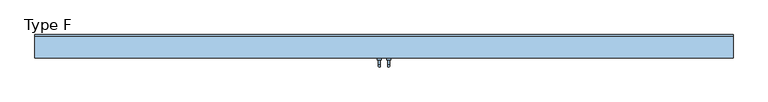
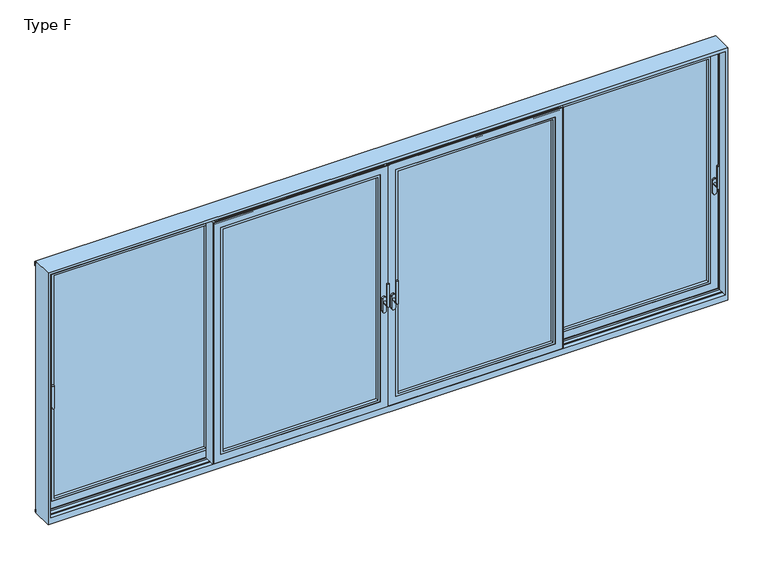
"""IFC4 building model written with IfcOpenShell, lengths in millimetres: window geometry, Type F."""

from ifc_helpers import new_model, si_unit, point, frame, frame_2d, origin, place, context, project, spatial, polyline, circle_curve, ellipse_curve, trimmed, segment, composite_curve, outline, extrude, faceted_brep, source, transform, mapped, element, save
from ifc_brep_helpers import plane_surface, cylinder_surface, advanced_brep


def type_f_958ff80e(model_context):
    return source(origin(), model_context, "Body", "SolidModel", [
        advanced_brep(
        [(30.0, -111.0, 995.0), (50.0, -111.0, 995.0), (30.0, -163.0, 995.0), (50.0, -163.0, 995.0), (30.0, -163.0, 1195.0), (50.0, -163.0, 1195.0)],
        [
            (0, 1, circle_curve(frame((40.0, -111.0, 995.0), z_axis=(0.0, 1.0, 0.0), x_axis=(1.0000000000000009, 0.0, 0.0)), 10.0)),
            (1, 0, circle_curve(frame((40.0, -111.0, 995.0), z_axis=(0.0, 1.0, 0.0), x_axis=(1.0000000000000009, 0.0, 0.0)), 10.0)),
            (0, 2),
            (2, 3, ellipse_curve(frame((40.0, -163.0, 995.0), z_axis=(0.0, 0.7071067811865475, -0.7071067811865475), x_axis=(0.0, 0.7071067811865476, 0.7071067811865474)), 14.1421356, 10.0)),
            (3, 1),
            (3, 2, ellipse_curve(frame((40.0, -163.0, 995.0), z_axis=(0.0, 0.7071067811865475, -0.7071067811865475), x_axis=(0.0, 0.7071067811865476, 0.7071067811865474)), 14.1421356, 10.0)),
            (4, 5, circle_curve(frame((40.0, -163.0, 1195.0), z_axis=(0.0, 0.0, 1.0), x_axis=(1.0000000000000009, 0.0, 0.0)), 10.0)),
            (5, 4, circle_curve(frame((40.0, -163.0, 1195.0), z_axis=(0.0, 0.0, 1.0), x_axis=(1.0000000000000009, 0.0, 0.0)), 10.0)),
            (2, 4),
            (5, 3),
        ],
        [
            plane_surface(frame((40.0, -111.0, 995.0), z_axis=(0.0, 1.0, 0.0), x_axis=(1.0, 0.0, 0.0))),
            cylinder_surface(frame((40.0, -111.0, 995.0), z_axis=(0.0, 1.0000000000000009, 0.0), x_axis=(1.0000000000000009, 0.0, 0.0)), 10.0),
            plane_surface(frame((40.0, -163.0, 1195.0), z_axis=(0.0, 0.0, 1.0), x_axis=(1.0, 0.0, 0.0))),
            cylinder_surface(frame((40.0, -163.0, 995.0), z_axis=(0.0, 0.0, -1.0), x_axis=(1.0000000000000009, 0.0, 0.0)), 10.0),
        ],
        [
            (0, [[1, 2]]),
            (1, [[-1, 3, 4, 5]]),
            (1, [[-2, -5, 6, -3]]),
            (2, [[7, 8]]),
            (3, [[-4, 9, -8, 10]]),
            (3, [[-6, -10, -7, -9]]),
        ],
    ),
        extrude(outline(composite_curve([segment(trimmed(circle_curve(frame_2d((913.2823932, 40.0)), 16.75), [point((913.2823932, 23.25))], [point((913.2823932, 56.75))], False, "CARTESIAN"), True, "CONTINUOUS"), segment(polyline([(913.2823932, 56.75), (1025.0099288, 56.75)]), True, "CONTINUOUS"), segment(trimmed(circle_curve(frame_2d((1025.0099288, 40.0)), 16.75), [point((1025.0099288, 56.75))], [point((1025.0099288, 23.25))], False, "CARTESIAN"), True, "CONTINUOUS"), segment(polyline([(1025.0099288, 23.25), (913.2823932, 23.25)]), True, "CONTINUOUS")], self_intersect=False)), frame((0.0, -111.0, 0.0), z_axis=(0.0, 1.0, 0.0), x_axis=(0.0, 0.0, 1.0)), (0.0, 0.0, 1.0), 16.0),
        extrude(outline(polyline([(1542.5, 4.0), (1542.5, -95.0), (1536.5, -95.0), (1536.5, -92.0), (1519.5, -92.0), (1519.5, -18.0), (1534.5, -18.0), (1534.5, -15.0), (1486.5, -15.0), (1486.5, -9.0), (1501.0, -9.0), (1501.0, 1.0013087), (1495.0, 1.0013087), (1495.0, 4.0), (1542.5, 4.0)])), frame((0.0, 0.0, 3.5), z_axis=(0.0, 0.0, 1.0), x_axis=(1.0, 0.0, 0.0)), (0.0, 0.0, 1.0), 2241.5),
        faceted_brep([(1519.5, -92.0, 2230.0), (1519.5, -18.0, 2230.0), (18.5, -18.0, 2230.0), (18.5, -92.0, 2230.0), (3.5, -18.0, 2245.0), (3.5, -15.0, 2245.0), (3.5, -15.0, 3.5), (3.5, -18.0, 3.5), (1534.5, -15.0, 3.5), (1534.5, -18.0, 3.5), (1534.5, -15.0, 2245.0), (1449.5, -15.0, 88.5), (1449.5, -15.0, 2160.0), (88.5, -15.0, 2160.0), (88.5, -15.0, 88.5), (1534.5, -18.0, 2245.0), (18.5, -18.0, 18.5), (1519.5, -18.0, 18.5), (3.5, -95.0, 2245.0), (3.5, -92.0, 2245.0), (3.5, -92.0, 3.5), (3.5, -95.0, 3.5), (1534.5, -92.0, 3.5), (1534.5, -95.0, 3.5), (1534.5, -92.0, 2245.0), (1519.5, -92.0, 18.5), (18.5, -92.0, 18.5), (1534.5, -95.0, 2245.0), (68.5, -95.0, 68.5), (68.5, -95.0, 2180.0), (1469.5, -95.0, 2180.0), (1469.5, -95.0, 68.5), (68.5, -23.0, 2180.0), (68.5, -23.0, 68.5), (1469.5, -23.0, 68.5), (1469.5, -23.0, 2180.0), (88.5, -23.0, 88.5), (88.5, -23.0, 2160.0), (1449.5, -23.0, 2160.0), (1449.5, -23.0, 88.5)], [[[0, 1, 2, 3]], [[4, 5, 6, 7]], [[7, 6, 8, 9]], [[6, 5, 10, 8], [11, 12, 13, 14]], [[9, 8, 10, 15]], [[9, 15, 4, 7], [16, 2, 1, 17]], [[18, 19, 20, 21]], [[21, 20, 22, 23]], [[20, 19, 24, 22], [25, 0, 3, 26]], [[23, 22, 24, 27]], [[23, 27, 18, 21], [28, 29, 30, 31]], [[32, 29, 28, 33]], [[33, 28, 31, 34]], [[34, 31, 30, 35]], [[34, 35, 32, 33], [36, 37, 38, 39]], [[13, 37, 36, 14]], [[14, 36, 39, 11]], [[11, 39, 38, 12]], [[3, 2, 16, 26]], [[25, 17, 1, 0]], [[26, 16, 17, 25]], [[15, 10, 5, 4]], [[27, 24, 19, 18]], [[35, 30, 29, 32]], [[12, 38, 37, 13]]]),
        extrude(outline(polyline([(2180.0, 68.5), (68.5, 68.5), (68.5, 1469.5), (2180.0, 1469.5), (2180.0, 68.5)]), holes=[polyline([(2160.0, 1449.5), (88.5, 1449.5), (88.5, 88.5), (2160.0, 88.5), (2160.0, 1449.5)])]), frame((0.0, -94.5, 0.0), z_axis=(0.0, 1.0, 0.0), x_axis=(0.0, 0.0, 1.0)), (0.0, 0.0, 1.0), 25.5),
        extrude(outline(polyline([(68.5, -23.0), (1469.5, -23.0), (1469.5, -69.0), (68.5, -69.0), (68.5, -23.0)])), frame((0.0, 0.0, 68.5), z_axis=(0.0, 0.0, 1.0), x_axis=(1.0, 0.0, 0.0)), (0.0, 0.0, 1.0), 2111.5),
        extrude(outline(polyline([(1519.5, -46.0), (1519.5, -64.0), (18.5, -64.0), (18.5, -46.0), (1519.5, -46.0)])), frame((0.0, 0.0, 2230.0), z_axis=(0.0, 0.0, 1.0), x_axis=(1.0, 0.0, 0.0)), (0.0, 0.0, 1.0), 20.0),
        advanced_brep(
        [(2935.0, -6.0, 995.0), (2915.0, -6.0, 995.0), (2915.0, -58.0, 995.0), (2935.0, -58.0, 995.0), (2935.0, -58.0, 1195.0), (2915.0, -58.0, 1195.0)],
        [
            (0, 1, circle_curve(frame((2925.0, -6.0, 995.0), z_axis=(0.0, 1.0, 0.0), x_axis=(-1.0000000000000009, 0.0, 0.0)), 10.0)),
            (1, 0, circle_curve(frame((2925.0, -6.0, 995.0), z_axis=(0.0, 1.0, 0.0), x_axis=(-1.0000000000000009, 0.0, 0.0)), 10.0)),
            (1, 2),
            (2, 3, ellipse_curve(frame((2925.0, -58.0, 995.0), z_axis=(0.0, 0.7071067811865475, -0.7071067811865475), x_axis=(0.0, 0.7071067811865476, 0.7071067811865474)), 14.1421356, 10.0)),
            (3, 0),
            (3, 2, ellipse_curve(frame((2925.0, -58.0, 995.0), z_axis=(0.0, 0.7071067811865475, -0.7071067811865475), x_axis=(0.0, 0.7071067811865476, 0.7071067811865474)), 14.1421356, 10.0)),
            (4, 5, circle_curve(frame((2925.0, -58.0, 1195.0), z_axis=(0.0, 0.0, 1.0), x_axis=(-1.0000000000000009, 0.0, 0.0)), 10.0)),
            (5, 4, circle_curve(frame((2925.0, -58.0, 1195.0), z_axis=(0.0, 0.0, 1.0), x_axis=(-1.0000000000000009, 0.0, 0.0)), 10.0)),
            (2, 5),
            (4, 3),
        ],
        [
            plane_surface(frame((2925.0, -6.0, 995.0), z_axis=(0.0, 1.0, 0.0), x_axis=(-1.0, 0.0, 0.0))),
            cylinder_surface(frame((2925.0, -6.0, 995.0), z_axis=(0.0, 1.0000000000000009, 0.0), x_axis=(-1.0000000000000009, 0.0, 0.0)), 10.0),
            plane_surface(frame((2925.0, -58.0, 1195.0), z_axis=(0.0, 0.0, 1.0), x_axis=(-1.0, 0.0, 0.0))),
            cylinder_surface(frame((2925.0, -58.0, 995.0), z_axis=(0.0, 0.0, -1.0), x_axis=(-1.0000000000000009, 0.0, 0.0)), 10.0),
        ],
        [
            (0, [[1, 2]]),
            (1, [[3, 4, 5, -2]]),
            (1, [[-5, 6, -3, -1]]),
            (2, [[7, 8]]),
            (3, [[9, -7, 10, -4]]),
            (3, [[-10, -8, -9, -6]]),
        ],
    ),
        extrude(outline(composite_curve([segment(polyline([(913.2823932, 2941.75), (1025.0099288, 2941.75)]), True, "CONTINUOUS"), segment(trimmed(circle_curve(frame_2d((1025.0099288, 2925.0)), 16.75), [point((1025.0099288, 2941.75))], [point((1025.0099288, 2908.25))], False, "CARTESIAN"), True, "CONTINUOUS"), segment(polyline([(1025.0099288, 2908.25), (913.2823932, 2908.25)]), True, "CONTINUOUS"), segment(trimmed(circle_curve(frame_2d((913.2823932, 2925.0)), 16.75), [point((913.2823932, 2908.25))], [point((913.2823932, 2941.75))], False, "CARTESIAN"), True, "CONTINUOUS")], self_intersect=False)), frame((0.0, -6.0, 0.0), z_axis=(0.0, 1.0, 0.0), x_axis=(0.0, 0.0, 1.0)), (0.0, 0.0, 1.0), 16.0),
        extrude(outline(polyline([(2946.5, 87.0), (2965.0, 87.0), (2965.0, 80.0), (2946.5, 80.0), (2946.5, 87.0)])), frame((0.0, 0.0, 18.5), z_axis=(0.0, 0.0, 1.0), x_axis=(1.0, 0.0, 0.0)), (0.0, 0.0, 1.0), 2211.5),
        extrude(outline(polyline([(2946.5, 20.0), (2965.0, 20.0), (2965.0, 13.0), (2946.5, 13.0), (2946.5, 20.0)])), frame((0.0, 0.0, 18.5), z_axis=(0.0, 0.0, 1.0), x_axis=(1.0, 0.0, 0.0)), (0.0, 0.0, 1.0), 2211.5),
        extrude(outline(polyline([(1495.0, -9.0), (1447.5, -9.0), (1447.5, 90.0), (1453.5, 90.0), (1453.5, 87.0), (1470.5, 87.0), (1470.5, 13.0), (1455.5, 13.0), (1455.5, 10.0), (1503.5, 10.0), (1503.5, 4.0), (1489.0, 4.0), (1489.0, -6.0013087), (1495.0, -6.0013087), (1495.0, -9.0)])), frame((0.0, 0.0, 3.5), z_axis=(0.0, 0.0, 1.0), x_axis=(1.0, 0.0, 0.0)), (0.0, 0.0, 1.0), 2241.5),
        faceted_brep([(2961.5, 87.0, 2245.0), (2961.5, 87.0, 3.5), (2961.5, 90.0, 3.5), (2961.5, 90.0, 2245.0), (1455.5, 87.0, 3.5), (1455.5, 90.0, 3.5), (1455.5, 90.0, 2245.0), (1540.5, 90.0, 88.5), (2876.5, 90.0, 88.5), (2876.5, 90.0, 2160.0), (1540.5, 90.0, 2160.0), (1455.5, 87.0, 2245.0), (2946.5, 87.0, 18.5), (1470.5, 87.0, 18.5), (1470.5, 87.0, 2230.0), (2946.5, 87.0, 2230.0), (2961.5, 13.0, 3.5), (1455.5, 13.0, 3.5), (1455.5, 13.0, 2245.0), (2961.5, 13.0, 2245.0), (1470.5, 13.0, 18.5), (2946.5, 13.0, 18.5), (2946.5, 13.0, 2230.0), (1470.5, 13.0, 2230.0), (2961.5, 10.0, 2245.0), (2961.5, 10.0, 3.5), (1455.5, 10.0, 3.5), (1455.5, 10.0, 2245.0), (2896.5, 10.0, 68.5), (1520.5, 10.0, 68.5), (1520.5, 10.0, 2180.0), (2896.5, 10.0, 2180.0), (2896.5, 82.0, 2180.0), (2896.5, 82.0, 68.5), (1520.5, 82.0, 68.5), (1520.5, 82.0, 2180.0), (2876.5, 82.0, 88.5), (1540.5, 82.0, 88.5), (1540.5, 82.0, 2160.0), (2876.5, 82.0, 2160.0)], [[[0, 1, 2, 3]], [[1, 4, 5, 2]], [[2, 5, 6, 3], [7, 8, 9, 10]], [[4, 11, 6, 5]], [[4, 1, 0, 11], [12, 13, 14, 15]], [[16, 17, 18, 19], [20, 21, 22, 23]], [[24, 25, 16, 19]], [[25, 26, 17, 16]], [[26, 27, 18, 17]], [[26, 25, 24, 27], [28, 29, 30, 31]], [[32, 33, 28, 31]], [[33, 34, 29, 28]], [[34, 35, 30, 29]], [[34, 33, 32, 35], [36, 37, 38, 39]], [[9, 8, 36, 39]], [[8, 7, 37, 36]], [[7, 10, 38, 37]], [[11, 0, 3, 6]], [[27, 24, 19, 18]], [[35, 32, 31, 30]], [[10, 9, 39, 38]], [[22, 21, 12, 15]], [[20, 23, 14, 13]], [[21, 20, 13, 12]], [[23, 22, 15, 14]]]),
        extrude(outline(polyline([(2180.0, 2896.5), (2180.0, 1520.5), (68.5, 1520.5), (68.5, 2896.5), (2180.0, 2896.5)]), holes=[polyline([(2160.0, 1540.5), (2160.0, 2876.5), (88.5, 2876.5), (88.5, 1540.5), (2160.0, 1540.5)])]), frame((0.0, 10.5, 0.0), z_axis=(0.0, 1.0, 0.0), x_axis=(0.0, 0.0, 1.0)), (0.0, 0.0, 1.0), 25.5),
        extrude(outline(polyline([(2896.5, 82.0), (2896.5, 36.0), (1520.5, 36.0), (1520.5, 82.0), (2896.5, 82.0)])), frame((0.0, 0.0, 68.5), z_axis=(0.0, 0.0, 1.0), x_axis=(1.0, 0.0, 0.0)), (0.0, 0.0, 1.0), 2111.5),
        extrude(outline(polyline([(1470.5, 59.0), (2946.5, 59.0), (2946.5, 41.0), (1470.5, 41.0), (1470.5, 59.0)])), frame((0.0, 0.0, 2230.0), z_axis=(0.0, 0.0, 1.0), x_axis=(1.0, 0.0, 0.0)), (0.0, 0.0, 1.0), 20.0),
        advanced_brep(
        [(-30.0, -111.0, 995.0), (-50.0, -111.0, 995.0), (-50.0, -163.0, 995.0), (-30.0, -163.0, 995.0), (-30.0, -163.0, 1195.0), (-50.0, -163.0, 1195.0)],
        [
            (0, 1, circle_curve(frame((-40.0, -111.0, 995.0), z_axis=(0.0, 1.0, 0.0), x_axis=(-1.0000000000000009, 0.0, 0.0)), 10.0)),
            (1, 0, circle_curve(frame((-40.0, -111.0, 995.0), z_axis=(0.0, 1.0, 0.0), x_axis=(-1.0000000000000009, 0.0, 0.0)), 10.0)),
            (1, 2),
            (2, 3, ellipse_curve(frame((-40.0, -163.0, 995.0), z_axis=(0.0, 0.7071067811865475, -0.7071067811865475), x_axis=(0.0, 0.7071067811865476, 0.7071067811865474)), 14.1421356, 10.0)),
            (3, 0),
            (3, 2, ellipse_curve(frame((-40.0, -163.0, 995.0), z_axis=(0.0, 0.7071067811865475, -0.7071067811865475), x_axis=(0.0, 0.7071067811865476, 0.7071067811865474)), 14.1421356, 10.0)),
            (4, 5, circle_curve(frame((-40.0, -163.0, 1195.0), z_axis=(0.0, 0.0, 1.0), x_axis=(-1.0000000000000009, 0.0, 0.0)), 10.0)),
            (5, 4, circle_curve(frame((-40.0, -163.0, 1195.0), z_axis=(0.0, 0.0, 1.0), x_axis=(-1.0000000000000009, 0.0, 0.0)), 10.0)),
            (2, 5),
            (4, 3),
        ],
        [
            plane_surface(frame((-40.0, -111.0, 995.0), z_axis=(0.0, 1.0, 0.0), x_axis=(-1.0, 0.0, 0.0))),
            cylinder_surface(frame((-40.0, -111.0, 995.0), z_axis=(0.0, 1.0000000000000009, 0.0), x_axis=(-1.0000000000000009, 0.0, 0.0)), 10.0),
            plane_surface(frame((-40.0, -163.0, 1195.0), z_axis=(0.0, 0.0, 1.0), x_axis=(-1.0, 0.0, 0.0))),
            cylinder_surface(frame((-40.0, -163.0, 995.0), z_axis=(0.0, 0.0, -1.0), x_axis=(-1.0000000000000009, 0.0, 0.0)), 10.0),
        ],
        [
            (0, [[1, 2]]),
            (1, [[3, 4, 5, -2]]),
            (1, [[-5, 6, -3, -1]]),
            (2, [[7, 8]]),
            (3, [[9, -7, 10, -4]]),
            (3, [[-10, -8, -9, -6]]),
        ],
    ),
        extrude(outline(composite_curve([segment(polyline([(913.2823932, -23.25), (1025.0099288, -23.25)]), True, "CONTINUOUS"), segment(trimmed(circle_curve(frame_2d((1025.0099288, -40.0)), 16.75), [point((1025.0099288, -23.25))], [point((1025.0099288, -56.75))], False, "CARTESIAN"), True, "CONTINUOUS"), segment(polyline([(1025.0099288, -56.75), (913.2823932, -56.75)]), True, "CONTINUOUS"), segment(trimmed(circle_curve(frame_2d((913.2823932, -40.0)), 16.75), [point((913.2823932, -56.75))], [point((913.2823932, -23.25))], False, "CARTESIAN"), True, "CONTINUOUS")], self_intersect=False)), frame((0.0, -111.0, 0.0), z_axis=(0.0, 1.0, 0.0), x_axis=(0.0, 0.0, 1.0)), (0.0, 0.0, 1.0), 16.0),
        extrude(outline(polyline([(3.0, -49.0), (18.5, -49.0), (18.5, -61.0), (3.0, -61.0), (3.0, -72.0), (-18.5, -72.0), (-18.5, -38.0), (3.0, -38.0), (3.0, -49.0)])), frame((0.0, 0.0, 18.5), z_axis=(0.0, 0.0, 1.0), x_axis=(1.0, 0.0, 0.0)), (0.0, 0.0, 1.0), 2211.5),
        extrude(outline(polyline([(-1542.5, 4.0), (-1495.0, 4.0), (-1495.0, 1.0013087), (-1501.0, 1.0013087), (-1501.0, -9.0), (-1486.5, -9.0), (-1486.5, -15.0), (-1534.5, -15.0), (-1534.5, -18.0), (-1519.5, -18.0), (-1519.5, -92.0), (-1536.5, -92.0), (-1536.5, -95.0), (-1542.5, -95.0), (-1542.5, 4.0)])), frame((0.0, 0.0, 3.5), z_axis=(0.0, 0.0, 1.0), x_axis=(1.0, 0.0, 0.0)), (0.0, 0.0, 1.0), 2241.5),
        faceted_brep([(-1519.5, -92.0, 2230.0), (-18.5, -92.0, 2230.0), (-18.5, -18.0, 2230.0), (-1519.5, -18.0, 2230.0), (-3.5, -18.0, 2245.0), (-3.5, -18.0, 3.5), (-3.5, -15.0, 3.5), (-3.5, -15.0, 2245.0), (-1534.5, -18.0, 3.5), (-1534.5, -15.0, 3.5), (-1534.5, -15.0, 2245.0), (-1449.5, -15.0, 88.5), (-88.5, -15.0, 88.5), (-88.5, -15.0, 2160.0), (-1449.5, -15.0, 2160.0), (-1534.5, -18.0, 2245.0), (-18.5, -18.0, 18.5), (-1519.5, -18.0, 18.5), (-3.5, -95.0, 2245.0), (-3.5, -95.0, 3.5), (-3.5, -92.0, 3.5), (-3.5, -92.0, 2245.0), (-1534.5, -95.0, 3.5), (-1534.5, -92.0, 3.5), (-1534.5, -92.0, 2245.0), (-1519.5, -92.0, 18.5), (-18.5, -92.0, 18.5), (-1534.5, -95.0, 2245.0), (-68.5, -95.0, 68.5), (-1469.5, -95.0, 68.5), (-1469.5, -95.0, 2180.0), (-68.5, -95.0, 2180.0), (-68.5, -23.0, 2180.0), (-68.5, -23.0, 68.5), (-1469.5, -23.0, 68.5), (-1469.5, -23.0, 2180.0), (-88.5, -23.0, 88.5), (-1449.5, -23.0, 88.5), (-1449.5, -23.0, 2160.0), (-88.5, -23.0, 2160.0)], [[[0, 1, 2, 3]], [[4, 5, 6, 7]], [[5, 8, 9, 6]], [[6, 9, 10, 7], [11, 12, 13, 14]], [[8, 15, 10, 9]], [[8, 5, 4, 15], [16, 17, 3, 2]], [[18, 19, 20, 21]], [[19, 22, 23, 20]], [[20, 23, 24, 21], [25, 26, 1, 0]], [[22, 27, 24, 23]], [[22, 19, 18, 27], [28, 29, 30, 31]], [[32, 33, 28, 31]], [[33, 34, 29, 28]], [[34, 35, 30, 29]], [[34, 33, 32, 35], [36, 37, 38, 39]], [[13, 12, 36, 39]], [[12, 11, 37, 36]], [[11, 14, 38, 37]], [[1, 26, 16, 2]], [[25, 0, 3, 17]], [[26, 25, 17, 16]], [[15, 4, 7, 10]], [[27, 18, 21, 24]], [[35, 32, 31, 30]], [[14, 13, 39, 38]]]),
        extrude(outline(polyline([(2180.0, -68.5), (2180.0, -1469.5), (68.5, -1469.5), (68.5, -68.5), (2180.0, -68.5)]), holes=[polyline([(2160.0, -1449.5), (2160.0, -88.5), (88.5, -88.5), (88.5, -1449.5), (2160.0, -1449.5)])]), frame((0.0, -94.5, 0.0), z_axis=(0.0, 1.0, 0.0), x_axis=(0.0, 0.0, 1.0)), (0.0, 0.0, 1.0), 25.5),
        extrude(outline(polyline([(-68.5, -23.0), (-68.5, -69.0), (-1469.5, -69.0), (-1469.5, -23.0), (-68.5, -23.0)])), frame((0.0, 0.0, 68.5), z_axis=(0.0, 0.0, 1.0), x_axis=(1.0, 0.0, 0.0)), (0.0, 0.0, 1.0), 2111.5),
        extrude(outline(polyline([(-1519.5, -46.0), (-18.5, -46.0), (-18.5, -64.0), (-1519.5, -64.0), (-1519.5, -46.0)])), frame((0.0, 0.0, 2230.0), z_axis=(0.0, 0.0, 1.0), x_axis=(1.0, 0.0, 0.0)), (0.0, 0.0, 1.0), 20.0),
        advanced_brep(
        [(-2935.0, -6.0, 995.0), (-2915.0, -6.0, 995.0), (-2935.0, -58.0, 995.0), (-2915.0, -58.0, 995.0), (-2935.0, -58.0, 1195.0), (-2915.0, -58.0, 1195.0)],
        [
            (0, 1, circle_curve(frame((-2925.0, -6.0, 995.0), z_axis=(0.0, 1.0, 0.0), x_axis=(1.0000000000000009, 0.0, 0.0)), 10.0)),
            (1, 0, circle_curve(frame((-2925.0, -6.0, 995.0), z_axis=(0.0, 1.0, 0.0), x_axis=(1.0000000000000009, 0.0, 0.0)), 10.0)),
            (0, 2),
            (2, 3, ellipse_curve(frame((-2925.0, -58.0, 995.0), z_axis=(0.0, 0.7071067811865475, -0.7071067811865475), x_axis=(0.0, 0.7071067811865476, 0.7071067811865474)), 14.1421356, 10.0)),
            (3, 1),
            (3, 2, ellipse_curve(frame((-2925.0, -58.0, 995.0), z_axis=(0.0, 0.7071067811865475, -0.7071067811865475), x_axis=(0.0, 0.7071067811865476, 0.7071067811865474)), 14.1421356, 10.0)),
            (4, 5, circle_curve(frame((-2925.0, -58.0, 1195.0), z_axis=(0.0, 0.0, 1.0), x_axis=(1.0000000000000009, 0.0, 0.0)), 10.0)),
            (5, 4, circle_curve(frame((-2925.0, -58.0, 1195.0), z_axis=(0.0, 0.0, 1.0), x_axis=(1.0000000000000009, 0.0, 0.0)), 10.0)),
            (2, 4),
            (5, 3),
        ],
        [
            plane_surface(frame((-2925.0, -6.0, 995.0), z_axis=(0.0, 1.0, 0.0), x_axis=(1.0, 0.0, 0.0))),
            cylinder_surface(frame((-2925.0, -6.0, 995.0), z_axis=(0.0, 1.0000000000000009, 0.0), x_axis=(1.0000000000000009, 0.0, 0.0)), 10.0),
            plane_surface(frame((-2925.0, -58.0, 1195.0), z_axis=(0.0, 0.0, 1.0), x_axis=(1.0, 0.0, 0.0))),
            cylinder_surface(frame((-2925.0, -58.0, 995.0), z_axis=(0.0, 0.0, -1.0), x_axis=(1.0000000000000009, 0.0, 0.0)), 10.0),
        ],
        [
            (0, [[1, 2]]),
            (1, [[-1, 3, 4, 5]]),
            (1, [[-2, -5, 6, -3]]),
            (2, [[7, 8]]),
            (3, [[-4, 9, -8, 10]]),
            (3, [[-6, -10, -7, -9]]),
        ],
    ),
        extrude(outline(composite_curve([segment(trimmed(circle_curve(frame_2d((913.2823932, -2925.0)), 16.75), [point((913.2823932, -2941.75))], [point((913.2823932, -2908.25))], False, "CARTESIAN"), True, "CONTINUOUS"), segment(polyline([(913.2823932, -2908.25), (1025.0099288, -2908.25)]), True, "CONTINUOUS"), segment(trimmed(circle_curve(frame_2d((1025.0099288, -2925.0)), 16.75), [point((1025.0099288, -2908.25))], [point((1025.0099288, -2941.75))], False, "CARTESIAN"), True, "CONTINUOUS"), segment(polyline([(1025.0099288, -2941.75), (913.2823932, -2941.75)]), True, "CONTINUOUS")], self_intersect=False)), frame((0.0, -6.0, 0.0), z_axis=(0.0, 1.0, 0.0), x_axis=(0.0, 0.0, 1.0)), (0.0, 0.0, 1.0), 16.0),
        extrude(outline(polyline([(-2946.5, 87.0), (-2946.5, 80.0), (-2965.0, 80.0), (-2965.0, 87.0), (-2946.5, 87.0)])), frame((0.0, 0.0, 18.5), z_axis=(0.0, 0.0, 1.0), x_axis=(1.0, 0.0, 0.0)), (0.0, 0.0, 1.0), 2211.5),
        extrude(outline(polyline([(-2946.5, 20.0), (-2946.5, 13.0), (-2965.0, 13.0), (-2965.0, 20.0), (-2946.5, 20.0)])), frame((0.0, 0.0, 18.5), z_axis=(0.0, 0.0, 1.0), x_axis=(1.0, 0.0, 0.0)), (0.0, 0.0, 1.0), 2211.5),
        extrude(outline(polyline([(-1495.0, -9.0), (-1495.0, -6.0013087), (-1489.0, -6.0013087), (-1489.0, 4.0), (-1503.5, 4.0), (-1503.5, 10.0), (-1455.5, 10.0), (-1455.5, 13.0), (-1470.5, 13.0), (-1470.5, 87.0), (-1453.5, 87.0), (-1453.5, 90.0), (-1447.5, 90.0), (-1447.5, -9.0), (-1495.0, -9.0)])), frame((0.0, 0.0, 3.5), z_axis=(0.0, 0.0, 1.0), x_axis=(1.0, 0.0, 0.0)), (0.0, 0.0, 1.0), 2241.5),
        faceted_brep([(-2961.5, 87.0, 2245.0), (-2961.5, 90.0, 2245.0), (-2961.5, 90.0, 3.5), (-2961.5, 87.0, 3.5), (-1455.5, 90.0, 3.5), (-1455.5, 87.0, 3.5), (-1455.5, 90.0, 2245.0), (-1540.5, 90.0, 88.5), (-1540.5, 90.0, 2160.0), (-2876.5, 90.0, 2160.0), (-2876.5, 90.0, 88.5), (-1455.5, 87.0, 2245.0), (-2946.5, 87.0, 18.5), (-2946.5, 87.0, 2230.0), (-1470.5, 87.0, 2230.0), (-1470.5, 87.0, 18.5), (-2961.5, 13.0, 3.5), (-2961.5, 13.0, 2245.0), (-1455.5, 13.0, 2245.0), (-1455.5, 13.0, 3.5), (-1470.5, 13.0, 18.5), (-1470.5, 13.0, 2230.0), (-2946.5, 13.0, 2230.0), (-2946.5, 13.0, 18.5), (-2961.5, 10.0, 2245.0), (-2961.5, 10.0, 3.5), (-1455.5, 10.0, 3.5), (-1455.5, 10.0, 2245.0), (-2896.5, 10.0, 68.5), (-2896.5, 10.0, 2180.0), (-1520.5, 10.0, 2180.0), (-1520.5, 10.0, 68.5), (-2896.5, 82.0, 2180.0), (-2896.5, 82.0, 68.5), (-1520.5, 82.0, 68.5), (-1520.5, 82.0, 2180.0), (-2876.5, 82.0, 88.5), (-2876.5, 82.0, 2160.0), (-1540.5, 82.0, 2160.0), (-1540.5, 82.0, 88.5)], [[[0, 1, 2, 3]], [[3, 2, 4, 5]], [[2, 1, 6, 4], [7, 8, 9, 10]], [[5, 4, 6, 11]], [[5, 11, 0, 3], [12, 13, 14, 15]], [[16, 17, 18, 19], [20, 21, 22, 23]], [[24, 17, 16, 25]], [[25, 16, 19, 26]], [[26, 19, 18, 27]], [[26, 27, 24, 25], [28, 29, 30, 31]], [[32, 29, 28, 33]], [[33, 28, 31, 34]], [[34, 31, 30, 35]], [[34, 35, 32, 33], [36, 37, 38, 39]], [[9, 37, 36, 10]], [[10, 36, 39, 7]], [[7, 39, 38, 8]], [[11, 6, 1, 0]], [[27, 18, 17, 24]], [[35, 30, 29, 32]], [[8, 38, 37, 9]], [[22, 13, 12, 23]], [[20, 15, 14, 21]], [[23, 12, 15, 20]], [[21, 14, 13, 22]]]),
        extrude(outline(polyline([(2180.0, -2896.5), (68.5, -2896.5), (68.5, -1520.5), (2180.0, -1520.5), (2180.0, -2896.5)]), holes=[polyline([(2160.0, -1540.5), (88.5, -1540.5), (88.5, -2876.5), (2160.0, -2876.5), (2160.0, -1540.5)])]), frame((0.0, 10.5, 0.0), z_axis=(0.0, 1.0, 0.0), x_axis=(0.0, 0.0, 1.0)), (0.0, 0.0, 1.0), 25.5),
        extrude(outline(polyline([(-2896.5, 82.0), (-1520.5, 82.0), (-1520.5, 36.0), (-2896.5, 36.0), (-2896.5, 82.0)])), frame((0.0, 0.0, 68.5), z_axis=(0.0, 0.0, 1.0), x_axis=(1.0, 0.0, 0.0)), (0.0, 0.0, 1.0), 2111.5),
        extrude(outline(polyline([(-1470.5, 59.0), (-1470.5, 41.0), (-2946.5, 41.0), (-2946.5, 59.0), (-1470.5, 59.0)])), frame((0.0, 0.0, 2230.0), z_axis=(0.0, 0.0, 1.0), x_axis=(1.0, 0.0, 0.0)), (0.0, 0.0, 1.0), 20.0),
        extrude(outline(polyline([(90.0, -24.1943734), (97.0, -24.5), (97.0, -49.0), (90.0, -49.0), (90.0, -24.1943734)])), frame((-2990.0, 0.0, 0.0), z_axis=(1.0, 0.0, 0.0), x_axis=(0.0, 1.0, 0.0)), (0.0, 0.0, 1.0), 5980.0),
        extrude(outline(polyline([(105.0003684, 2275.1806742), (105.0003684, 2239.2221261), (103.0003684, 2239.2221261), (103.0003684, 2265.2221261), (90.0003684, 2265.2221261), (90.0003684, 2283.8409282), (105.0003684, 2275.1806742)])), frame((-2990.0, 0.0, 0.0), z_axis=(1.0, 0.0, 0.0), x_axis=(0.0, 1.0, 0.0)), (0.0, 0.0, 1.0), 5980.0),
        faceted_brep([(2990.0, 90.0, -55.0), (2990.0, -95.0, -55.0), (-2990.0, -95.0, -55.0), (-2990.0, 90.0, -55.0), (2990.0, -95.0, 2290.0), (2990.0, 90.0, 2290.0), (-2990.0, -95.0, 2290.0), (2965.0, -95.0, 2265.0), (2965.0, -95.0, 0.0), (-2965.0, -95.0, 0.0), (-2965.0, -95.0, 2265.0), (-2990.0, 90.0, 2290.0), (-2965.0, 90.0, 2265.0), (-2965.0, 90.0, 0.0), (2965.0, 90.0, 0.0), (2965.0, 90.0, 2265.0), (2965.0, -15.0, 2265.0), (2965.0, -15.0, 0.0), (2965.0, -52.5, 0.0), (2965.0, -52.5, 5.0), (2965.0, -57.5, 5.0), (2965.0, -57.5, 0.0), (-2965.0, -57.5, 0.0), (-2965.0, -15.0, 2265.0), (-2965.0, -57.5, 5.0), (-2965.0, -52.5, 5.0), (-2965.0, -52.5, 0.0), (-2965.0, -15.0, 0.0), (-2967.0, -15.0, 0.0), (-2967.0, -15.0, 2267.0), (2967.0, -15.0, 2267.0), (2967.0, -15.0, 0.0), (2967.0, -14.8, 0.0), (-2967.0, -14.8, 0.0), (-2967.0, 10.0, 2267.0), (-2967.0, -14.8, -4.0), (-2967.0, 9.8, -4.0), (-2967.0, 9.8, 0.0), (-2967.0, 10.0, 0.0), (2967.0, 10.0, 2267.0), (2967.0, 10.0, 0.0), (2967.0, 9.8, 0.0), (2967.0, 9.8, -4.0), (2967.0, -14.8, -4.0), (-2965.0, 10.0, 0.0), (-2965.0, 10.0, 2265.0), (2965.0, 10.0, 2265.0), (2965.0, 10.0, 0.0), (2965.0, 47.5, 0.0), (-2965.0, 47.5, 0.0), (-2965.0, 47.5, 5.0), (-2965.0, 52.5, 5.0), (-2965.0, 52.5, 0.0), (2965.0, 52.5, 0.0), (2965.0, 52.5, 5.0), (2965.0, 47.5, 5.0)], [[[0, 1, 2, 3]], [[4, 1, 0, 5]], [[2, 1, 4, 6], [7, 8, 9, 10]], [[2, 6, 11, 3]], [[0, 3, 11, 5], [12, 13, 14, 15]], [[7, 16, 17, 18, 19, 20, 21, 8]], [[9, 8, 21, 22]], [[23, 10, 9, 22, 24, 25, 26, 27]], [[16, 23, 27, 28, 29, 30, 31, 17]], [[26, 18, 17, 31, 32, 33, 28, 27]], [[25, 19, 18, 26]], [[24, 20, 19, 25]], [[22, 21, 20, 24]], [[34, 29, 28, 33, 35, 36, 37, 38]], [[30, 39, 40, 41, 42, 43, 32, 31]], [[39, 34, 38, 44, 45, 46, 47, 40]], [[48, 49, 44, 38, 37, 41, 40, 47]], [[36, 42, 41, 37]], [[35, 43, 42, 36]], [[33, 32, 43, 35]], [[12, 45, 44, 49, 50, 51, 52, 13]], [[46, 15, 14, 53, 54, 55, 48, 47]], [[14, 13, 52, 53]], [[51, 54, 53, 52]], [[50, 55, 54, 51]], [[49, 48, 55, 50]], [[4, 5, 11, 6]], [[7, 10, 23, 16]], [[30, 29, 34, 39]], [[46, 45, 12, 15]]]),
        extrude(outline(polyline([(-44.0, 2244.0917893), (-44.0, 2262.0), (-66.0, 2262.0), (-66.0, 2244.0917893), (-69.0, 2244.0917893), (-69.0, 2265.0), (-41.0, 2265.0), (-41.0, 2244.0917893), (-44.0, 2244.0917893)])), frame((-2965.0, 0.0, 0.0), z_axis=(1.0, 0.0, 0.0), x_axis=(0.0, 1.0, 0.0)), (0.0, 0.0, 1.0), 5930.0),
        extrude(outline(polyline([(61.0, 2244.0917893), (61.0, 2262.0), (39.0, 2262.0), (39.0, 2244.0917893), (36.0, 2244.0917893), (36.0, 2265.0), (64.0, 2265.0), (64.0, 2244.0917893), (61.0, 2244.0917893)])), frame((-2965.0, 0.0, 0.0), z_axis=(1.0, 0.0, 0.0), x_axis=(0.0, 1.0, 0.0)), (0.0, 0.0, 1.0), 5930.0),
    ])


if __name__ == "__main__":
    model = new_model("IFC4")
    model_context = context("Model", 3, world=origin())
    ifc_project = project(units=[si_unit("LENGTHUNIT", "METRE", prefix="MILLI")], contexts=[model_context])
    site = spatial("IfcSite", under=ifc_project)
    building = spatial("IfcBuilding", under=site)
    placement = place(None, origin())
    type_f_shape = type_f_958ff80e(model_context)
    element("IfcWindow", 1, ObjectType="Type F", at=placement, inside=building, context=model_context, shape_type="MappedRepresentation", body=[
        mapped(type_f_shape, transform((0.0, 0.0, 0.0), x_axis=(1.0, 0.0, 0.0), y_axis=(0.0, 1.0, 0.0), z_axis=(0.0, 0.0, 1.0))),
    ])
    save(model, "model.ifc")
